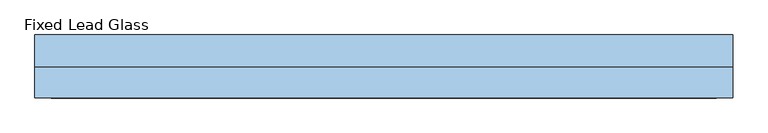
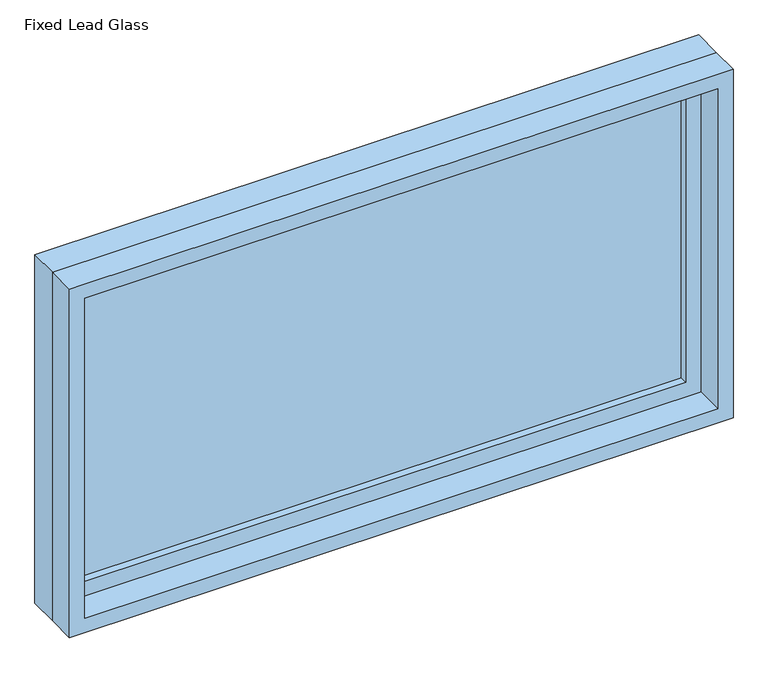
"""IFC4 building model written with IfcOpenShell, lengths in millimetres: window geometry, Fixed Lead Glass."""

from ifc_helpers import new_model, si_unit, frame, origin, place, context, project, spatial, polyline, outline, extrude, source, transform, mapped, element, save


def fixed_lead_glass_4b57d03b(model_context):
    return source(origin(), model_context, "Body", "SweptSolid", [
        extrude(outline(polyline([(584.2, 14.2875), (-660.4, 14.2875), (-660.4, 26.9875), (584.2, 26.9875), (584.2, 14.2875)])), frame((0.0, 0.0, 1130.3), z_axis=(0.0, 0.0, 1.0), x_axis=(1.0, 0.0, 0.0)), (0.0, 0.0, 1.0), 635.0),
        extrude(outline(polyline([(1809.75, -704.85), (1085.85, -704.85), (1085.85, 628.65), (1809.75, 628.65), (1809.75, -704.85)]), holes=[polyline([(1765.3, -660.4), (1765.3, 584.2), (1130.3, 584.2), (1130.3, -660.4), (1765.3, -660.4)])]), frame((0.0, -1.5875, 0.0), z_axis=(0.0, 1.0, 0.0), x_axis=(0.0, 0.0, 1.0)), (0.0, 0.0, 1.0), 44.45),
        extrude(outline(polyline([(1828.8, -723.9), (1066.8, -723.9), (1066.8, 647.7), (1828.8, 647.7), (1828.8, -723.9)]), holes=[polyline([(1797.05, -692.15), (1797.05, 615.95), (1098.55, 615.95), (1098.55, -692.15), (1797.05, -692.15)])]), frame((0.0, -61.9125, 0.0), z_axis=(0.0, 1.0, 0.0), x_axis=(0.0, 0.0, 1.0)), (0.0, 0.0, 1.0), 60.325),
        extrude(outline(polyline([(1828.8, 647.7), (1828.8, -723.9), (1066.8, -723.9), (1066.8, 647.7), (1828.8, 647.7)]), holes=[polyline([(1809.75, 628.65), (1085.85, 628.65), (1085.85, -704.85), (1809.75, -704.85), (1809.75, 628.65)])]), frame((0.0, -1.5875, 0.0), z_axis=(0.0, 1.0, 0.0), x_axis=(0.0, 0.0, 1.0)), (0.0, 0.0, 1.0), 63.5),
    ])


if __name__ == "__main__":
    model = new_model("IFC4")
    model_context = context("Model", 3, world=origin())
    ifc_project = project(units=[si_unit("LENGTHUNIT", "METRE", prefix="MILLI")], contexts=[model_context])
    site = spatial("IfcSite", under=ifc_project)
    building = spatial("IfcBuilding", under=site)
    placement = place(None, origin())
    fixed_lead_glass_shape = fixed_lead_glass_4b57d03b(model_context)
    element("IfcWindow", 1, ObjectType="Fixed Lead Glass", at=placement, inside=building, context=model_context, shape_type="MappedRepresentation", body=[
        mapped(fixed_lead_glass_shape, transform((0.0, 0.0, 0.0), x_axis=(1.0, 0.0, 0.0), y_axis=(0.0, 1.0, 0.0), z_axis=(0.0, 0.0, 1.0))),
    ])
    save(model, "model.ifc")
